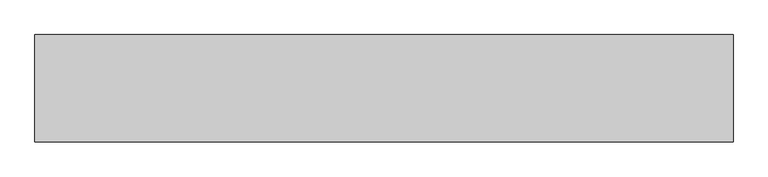
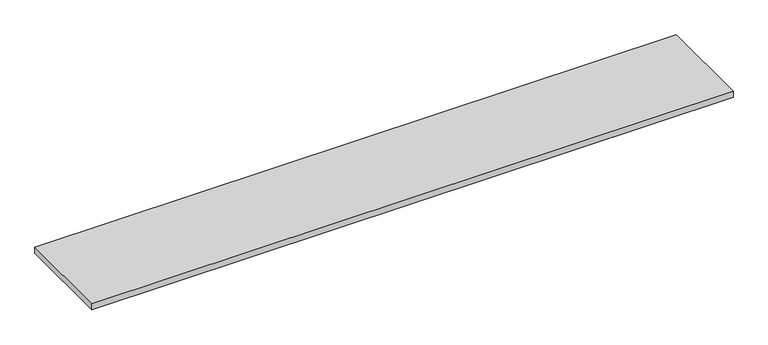
"""IFC4 building model written with IfcOpenShell, lengths in millimetres: furniture geometry."""

import ifcopenshell
import ifcopenshell.guid

model = None  # the IFC model being written
_history = None  # IfcOwnerHistory: only IFC2X3 demands one
_inside = {}  # id of a spatial element -> (the spatial element, [elements in it])
_under = {}  # id of a project, library or spatial element -> (it, [spatial elements below it])
_declared = {}  # id of a project -> (the project, [libraries it declares])
_typed = {}  # id of a type object -> (the type object, [elements of that type])
_made_of = {}  # id of a material, layer set ... -> (it, [elements and type objects made of it])


def new_model(schema):
    """Start an empty IFC model of exactly this schema.

    Asked for "IFC4X3", IfcOpenShell would pick the latest addendum, in which some entities
    have other attributes; the version numbers below select the first issue.
    IFC2X3 requires an IfcOwnerHistory on every rooted entity: one is made here for all.
    """
    global model, _history
    if schema == "IFC4X3":
        model = ifcopenshell.file(schema_version=(4, 3, 0, 0))
    else:
        model = ifcopenshell.file(schema=schema)
    _inside.clear()
    _under.clear()
    _declared.clear()
    _typed.clear()
    _made_of.clear()
    _history = None
    if model.schema == "IFC2X3":
        org = make("IfcOrganization", Name="unknown")
        user = make(
            "IfcPersonAndOrganization",
            ThePerson=make("IfcPerson", FamilyName="unknown"),
            TheOrganization=org,
        )
        app = make(
            "IfcApplication",
            ApplicationDeveloper=org,
            Version="unknown",
            ApplicationFullName="unknown",
            ApplicationIdentifier="unknown",
        )
        _history = make(
            "IfcOwnerHistory",
            OwningUser=user,
            OwningApplication=app,
            ChangeAction="ADDED",
            CreationDate=0,
        )
    return model


def make(cls, **values):
    """One entity of the class cls with the attributes given. An attribute that is None is left unset."""
    return model.create_entity(
        cls, **{name: value for name, value in values.items() if value is not None}
    )


def rooted(cls, **values):
    """An entity with a GlobalId (a new one), such as an element, a storey or a relation."""
    return make(cls, GlobalId=ifcopenshell.guid.new(), OwnerHistory=_history, **values)


def si_unit(unit_type, name, prefix=None):
    """IfcSIUnit, for example si_unit("LENGTHUNIT", "METRE", prefix="MILLI")."""
    return make("IfcSIUnit", UnitType=unit_type, Prefix=prefix, Name=name)


def assignment(units):
    """IfcUnitAssignment: the units of a project."""
    return None if units is None else make("IfcUnitAssignment", Units=units)


def point(xyz):
    """IfcCartesianPoint."""
    return None if xyz is None else make("IfcCartesianPoint", Coordinates=xyz)


def direction(xyz):
    """IfcDirection."""
    return None if xyz is None else make("IfcDirection", DirectionRatios=xyz)


def frame(location, z_axis=None, x_axis=None):
    """IfcAxis2Placement3D, a coordinate frame: its origin and axes. An axis left out is left unset."""
    return make(
        "IfcAxis2Placement3D",
        Location=point(location),
        Axis=direction(z_axis),
        RefDirection=direction(x_axis),
    )


def origin():
    """The frame at (0, 0, 0) with its axes left unset."""
    return frame((0.0, 0.0, 0.0))


def place(relative_to, where):
    """IfcLocalPlacement: puts the frame where relative to a parent placement (None: the world)."""
    return make(
        "IfcLocalPlacement", PlacementRelTo=relative_to, RelativePlacement=where
    )


def context(
    kind, dimensions, precision=None, world=None, true_north=None, identifier=None
):
    """IfcGeometricRepresentationContext, for example the 3D "Model" context."""
    return make(
        "IfcGeometricRepresentationContext",
        ContextIdentifier=identifier,
        ContextType=kind,
        CoordinateSpaceDimension=dimensions,
        Precision=precision,
        WorldCoordinateSystem=world,
        TrueNorth=true_north,
    )


def project(units=None, contexts=None):
    """IfcProject with its units and contexts."""
    return rooted(
        "IfcProject",
        Name="project",
        RepresentationContexts=contexts,
        UnitsInContext=assignment(units),
    )


def spatial(cls, under=None, at=None, **own):
    """A site, building, storey or space (cls), placed at a placement, below another one or the project."""
    s = rooted(cls, ObjectPlacement=at, **own)
    if under is not None:
        _under.setdefault(under.id(), (under, []))[1].append(s)
    return s


def polyline(points):
    """IfcPolyline through the points."""
    return make("IfcPolyline", Points=[point(p) for p in points])


def outline(outer, holes=None, kind="AREA"):
    """IfcArbitraryClosedProfileDef: a profile drawn as a closed curve; with holes, ...WithVoids."""
    if holes is None:
        return make("IfcArbitraryClosedProfileDef", ProfileType=kind, OuterCurve=outer)
    return make(
        "IfcArbitraryProfileDefWithVoids",
        ProfileType=kind,
        OuterCurve=outer,
        InnerCurves=holes,
    )


def extrude(swept, where, along, depth):
    """IfcExtrudedAreaSolid: the profile swept, set in the frame where, extruded along a direction by depth."""
    return make(
        "IfcExtrudedAreaSolid",
        SweptArea=swept,
        Position=where,
        ExtrudedDirection=direction(along),
        Depth=depth,
    )


def shape(context_of_items, identifier, shape_type, items):
    """IfcShapeRepresentation: the items that make up one representation, for example the "Body"."""
    return make(
        "IfcShapeRepresentation",
        ContextOfItems=context_of_items,
        RepresentationIdentifier=identifier,
        RepresentationType=shape_type,
        Items=items,
    )


def source(mapping_origin, context_of_items, identifier, shape_type, items):
    """IfcRepresentationMap: a shape defined once, which mapped items show again and again."""
    return make(
        "IfcRepresentationMap",
        MappingOrigin=mapping_origin,
        MappedRepresentation=shape(context_of_items, identifier, shape_type, items),
    )


def transform(
    local_origin,
    x_axis=None,
    y_axis=None,
    z_axis=None,
    scale=None,
    scale2=None,
    scale3=None,
    uniform=True,
):
    """IfcCartesianTransformationOperator3D, or its non-uniform kind. x_axis, y_axis, z_axis: its Axis1, 2, 3."""
    if uniform:
        return make(
            "IfcCartesianTransformationOperator3D",
            Axis1=direction(x_axis),
            Axis2=direction(y_axis),
            LocalOrigin=point(local_origin),
            Scale=scale,
            Axis3=direction(z_axis),
        )
    return make(
        "IfcCartesianTransformationOperator3DnonUniform",
        Axis1=direction(x_axis),
        Axis2=direction(y_axis),
        LocalOrigin=point(local_origin),
        Scale=scale,
        Axis3=direction(z_axis),
        Scale2=scale2,
        Scale3=scale3,
    )


def mapped(mapping_source, mapping_target):
    """IfcMappedItem: shows the shape of a source again, moved by a transform."""
    return make(
        "IfcMappedItem", MappingSource=mapping_source, MappingTarget=mapping_target
    )


def made_of(thing, what):
    """Note that an element or type object is made of a material, layer set ...; save() writes the relation."""
    if what is not None:
        _made_of.setdefault(what.id(), (what, []))[1].append(thing)
    return thing


def element(
    cls,
    number,
    at=None,
    inside=None,
    cuts=None,
    type_object=None,
    material=None,
    context=None,
    identifier="Body",
    shape_type=None,
    held_by="IfcProductDefinitionShape",
    body=None,
    shapes=None,
    **own,
):
    """One element of the class cls, such as IfcWall. Its Tag is "e" and its number.

    at: its placement. inside: the storey or other place that contains it. cuts: it is an
    opening in that element (IfcRelVoidsElement). A single representation is given by context,
    identifier, shape_type and body (its items); several are given by shapes. held_by: the class
    of the entity that holds the representations. save() writes the other relations.
    """
    e = rooted(cls, Tag="e%d" % number, ObjectPlacement=at, **own)
    if body is not None:
        shapes = [shape(context, identifier, shape_type, body)]
    if shapes is not None:
        e.Representation = make(held_by, Representations=shapes)
    if inside is not None:
        _inside.setdefault(inside.id(), (inside, []))[1].append(e)
    if cuts is not None:
        rooted(
            "IfcRelVoidsElement", RelatingBuildingElement=cuts, RelatedOpeningElement=e
        )
    if type_object is not None:
        _typed.setdefault(type_object.id(), (type_object, []))[1].append(e)
    return made_of(e, material)


def aggregate(whole, parts):
    """IfcRelAggregates: a whole, such as a stair, and the parts it consists of."""
    return rooted("IfcRelAggregates", RelatingObject=whole, RelatedObjects=parts)


def save(model, path):
    """Write the relations noted so far, then the file.

    IfcRelAggregates (storeys below a building ...), IfcRelContainedInSpatialStructure (elements
    in a storey), IfcRelDefinesByType, IfcRelAssociatesMaterial and IfcRelDeclares: one each for
    every whole, place, type object, material and project.
    """
    for whole, parts in _under.values():
        aggregate(whole, parts)
    for where, things in _inside.values():
        rooted(
            "IfcRelContainedInSpatialStructure",
            RelatedElements=things,
            RelatingStructure=where,
        )
    for kind, things in _typed.values():
        rooted("IfcRelDefinesByType", RelatedObjects=things, RelatingType=kind)
    for what, things in _made_of.values():
        rooted("IfcRelAssociatesMaterial", RelatedObjects=things, RelatingMaterial=what)
    for by, libraries in _declared.values():
        rooted("IfcRelDeclares", RelatingContext=by, RelatedDefinitions=libraries)
    model.write(path)


def furniture_16bf65ca(model_context):
    return source(origin(), model_context, "Body", "SweptSolid", [
        extrude(outline(polyline([(1981.2, 57.15), (1981.2, -247.65), (0.0, -247.65), (0.0, 57.15), (1981.2, 57.15)])), frame((0.0, 0.0, 1311.275), z_axis=(0.0, 0.0, 1.0), x_axis=(1.0, 0.0, 0.0)), (0.0, 0.0, 1.0), 19.05),
    ])


if __name__ == "__main__":
    model = new_model("IFC4")
    model_context = context("Model", 3, world=origin())
    ifc_project = project(units=[si_unit("LENGTHUNIT", "METRE", prefix="MILLI")], contexts=[model_context])
    site = spatial("IfcSite", under=ifc_project)
    building = spatial("IfcBuilding", under=site)
    placement = place(None, origin())
    furniture_shape = furniture_16bf65ca(model_context)
    element("IfcFurniture", 1, at=placement, inside=building, context=model_context, shape_type="MappedRepresentation", body=[
        mapped(furniture_shape, transform((0.0, 0.0, 0.0), x_axis=(1.0, 0.0, 0.0), y_axis=(0.0, 1.0, 0.0), z_axis=(0.0, 0.0, 1.0))),
    ])
    save(model, "model.ifc")
